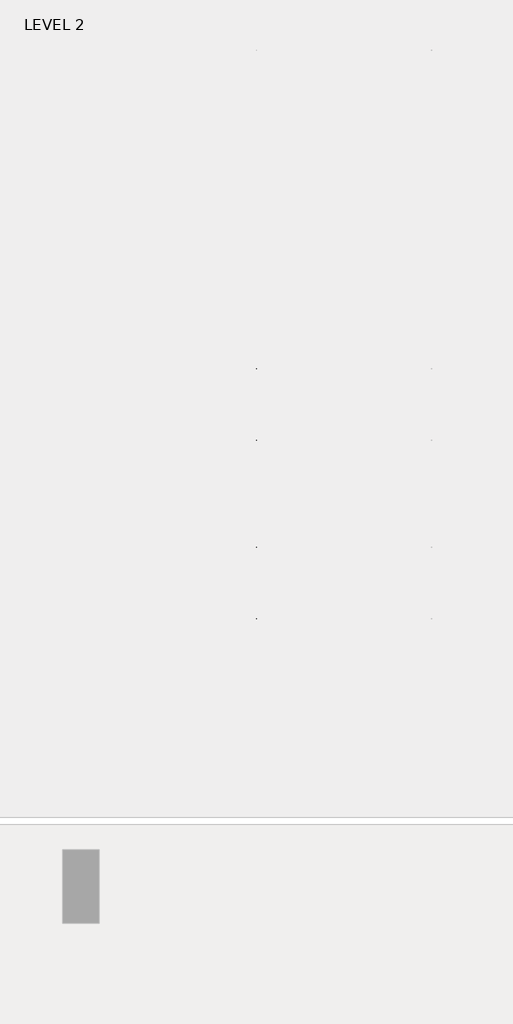
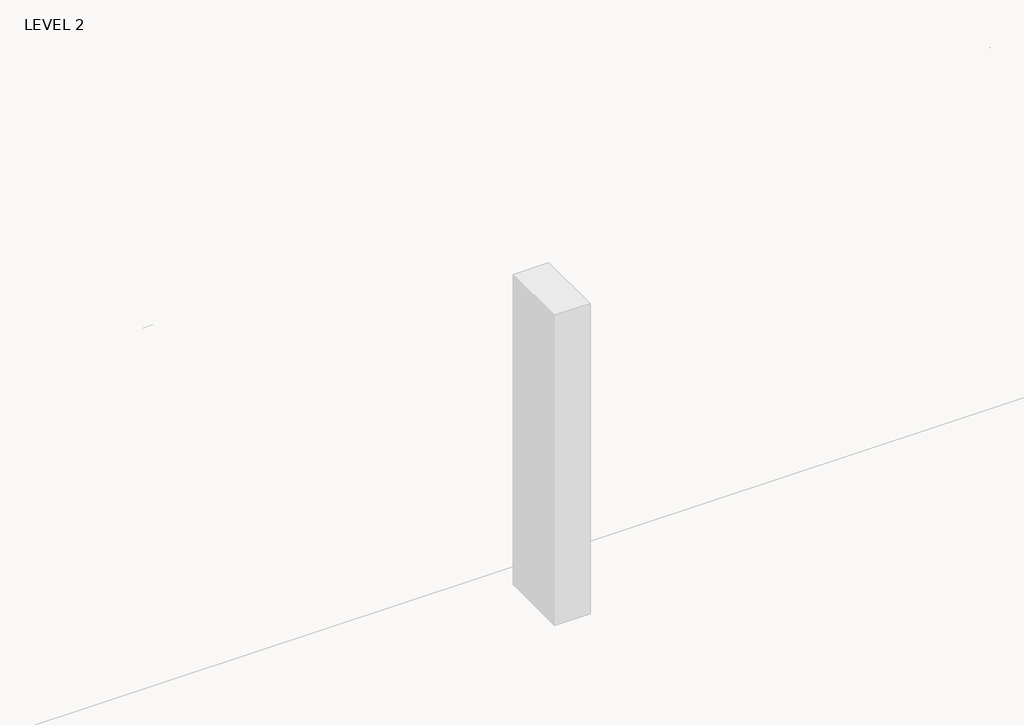
# One storey, part 40 of 67: 1 beam.
"""IFC4 building model written with IfcOpenShell, lengths in millimetres."""

import ifcopenshell
import ifcopenshell.guid

model = None  # the IFC model being written
_history = None  # IfcOwnerHistory: only IFC2X3 demands one
_inside = {}  # id of a spatial element -> (the spatial element, [elements in it])
_under = {}  # id of a project, library or spatial element -> (it, [spatial elements below it])
_declared = {}  # id of a project -> (the project, [libraries it declares])
_typed = {}  # id of a type object -> (the type object, [elements of that type])
_made_of = {}  # id of a material, layer set ... -> (it, [elements and type objects made of it])


def new_model(schema):
    """Start an empty IFC model of exactly this schema.

    Asked for "IFC4X3", IfcOpenShell would pick the latest addendum, in which some entities
    have other attributes; the version numbers below select the first issue.
    IFC2X3 requires an IfcOwnerHistory on every rooted entity: one is made here for all.
    """
    global model, _history
    if schema == "IFC4X3":
        model = ifcopenshell.file(schema_version=(4, 3, 0, 0))
    else:
        model = ifcopenshell.file(schema=schema)
    _inside.clear()
    _under.clear()
    _declared.clear()
    _typed.clear()
    _made_of.clear()
    _history = None
    if model.schema == "IFC2X3":
        org = make("IfcOrganization", Name="unknown")
        user = make(
            "IfcPersonAndOrganization",
            ThePerson=make("IfcPerson", FamilyName="unknown"),
            TheOrganization=org,
        )
        app = make(
            "IfcApplication",
            ApplicationDeveloper=org,
            Version="unknown",
            ApplicationFullName="unknown",
            ApplicationIdentifier="unknown",
        )
        _history = make(
            "IfcOwnerHistory",
            OwningUser=user,
            OwningApplication=app,
            ChangeAction="ADDED",
            CreationDate=0,
        )
    return model


def make(cls, **values):
    """One entity of the class cls with the attributes given. An attribute that is None is left unset."""
    return model.create_entity(
        cls, **{name: value for name, value in values.items() if value is not None}
    )


def rooted(cls, **values):
    """An entity with a GlobalId (a new one), such as an element, a storey or a relation."""
    return make(cls, GlobalId=ifcopenshell.guid.new(), OwnerHistory=_history, **values)


def si_unit(unit_type, name, prefix=None):
    """IfcSIUnit, for example si_unit("LENGTHUNIT", "METRE", prefix="MILLI")."""
    return make("IfcSIUnit", UnitType=unit_type, Prefix=prefix, Name=name)


def assignment(units):
    """IfcUnitAssignment: the units of a project."""
    return None if units is None else make("IfcUnitAssignment", Units=units)


def point(xyz):
    """IfcCartesianPoint."""
    return None if xyz is None else make("IfcCartesianPoint", Coordinates=xyz)


def direction(xyz):
    """IfcDirection."""
    return None if xyz is None else make("IfcDirection", DirectionRatios=xyz)


def frame(location, z_axis=None, x_axis=None):
    """IfcAxis2Placement3D, a coordinate frame: its origin and axes. An axis left out is left unset."""
    return make(
        "IfcAxis2Placement3D",
        Location=point(location),
        Axis=direction(z_axis),
        RefDirection=direction(x_axis),
    )


def origin():
    """The frame at (0, 0, 0) with its axes left unset."""
    return frame((0.0, 0.0, 0.0))


def place(relative_to, where):
    """IfcLocalPlacement: puts the frame where relative to a parent placement (None: the world)."""
    return make(
        "IfcLocalPlacement", PlacementRelTo=relative_to, RelativePlacement=where
    )


def context(
    kind, dimensions, precision=None, world=None, true_north=None, identifier=None
):
    """IfcGeometricRepresentationContext, for example the 3D "Model" context."""
    return make(
        "IfcGeometricRepresentationContext",
        ContextIdentifier=identifier,
        ContextType=kind,
        CoordinateSpaceDimension=dimensions,
        Precision=precision,
        WorldCoordinateSystem=world,
        TrueNorth=true_north,
    )


def project(units=None, contexts=None):
    """IfcProject with its units and contexts."""
    return rooted(
        "IfcProject",
        Name="project",
        RepresentationContexts=contexts,
        UnitsInContext=assignment(units),
    )


def spatial(cls, under=None, at=None, **own):
    """A site, building, storey or space (cls), placed at a placement, below another one or the project."""
    s = rooted(cls, ObjectPlacement=at, **own)
    if under is not None:
        _under.setdefault(under.id(), (under, []))[1].append(s)
    return s


def polyline(points):
    """IfcPolyline through the points."""
    return make("IfcPolyline", Points=[point(p) for p in points])


def outline(outer, holes=None, kind="AREA"):
    """IfcArbitraryClosedProfileDef: a profile drawn as a closed curve; with holes, ...WithVoids."""
    if holes is None:
        return make("IfcArbitraryClosedProfileDef", ProfileType=kind, OuterCurve=outer)
    return make(
        "IfcArbitraryProfileDefWithVoids",
        ProfileType=kind,
        OuterCurve=outer,
        InnerCurves=holes,
    )


def extrude(swept, where, along, depth):
    """IfcExtrudedAreaSolid: the profile swept, set in the frame where, extruded along a direction by depth."""
    return make(
        "IfcExtrudedAreaSolid",
        SweptArea=swept,
        Position=where,
        ExtrudedDirection=direction(along),
        Depth=depth,
    )


def faces_of(points, faces, orient=None, outer=None):
    """IfcFace entities. A face is a list of loops; a loop is a list of indices into points, from 0.

    orient and outer hold one flag for each loop. By default every Orientation is true, the
    first loop of a face is its IfcFaceOuterBound and the others are IfcFaceBound.
    """
    made = []
    for i, loops in enumerate(faces):
        bounds = []
        for j, loop in enumerate(loops):
            is_outer = j == 0 if outer is None else outer[i][j]
            bounds.append(
                make(
                    "IfcFaceOuterBound" if is_outer else "IfcFaceBound",
                    Bound=make("IfcPolyLoop", Polygon=[points[k] for k in loop]),
                    Orientation=True if orient is None else orient[i][j],
                )
            )
        made.append(make("IfcFace", Bounds=bounds))
    return made


def faceted_brep(points, faces, orient=None, outer=None, voids=None):
    """IfcFacetedBrep: a solid bounded by flat faces; with voids (closed shells), ...WithVoids."""
    shared = [point(p) for p in points]
    hull = make("IfcClosedShell", CfsFaces=faces_of(shared, faces, orient, outer))
    if voids is None:
        return make("IfcFacetedBrep", Outer=hull)
    return make(
        "IfcFacetedBrepWithVoids",
        Outer=hull,
        Voids=[
            make(cls, CfsFaces=faces_of(shared, fs, o, b)) for cls, fs, o, b in voids
        ],
    )


def shape(context_of_items, identifier, shape_type, items):
    """IfcShapeRepresentation: the items that make up one representation, for example the "Body"."""
    return make(
        "IfcShapeRepresentation",
        ContextOfItems=context_of_items,
        RepresentationIdentifier=identifier,
        RepresentationType=shape_type,
        Items=items,
    )


def made_of(thing, what):
    """Note that an element or type object is made of a material, layer set ...; save() writes the relation."""
    if what is not None:
        _made_of.setdefault(what.id(), (what, []))[1].append(thing)
    return thing


def element(
    cls,
    number,
    at=None,
    inside=None,
    cuts=None,
    type_object=None,
    material=None,
    context=None,
    identifier="Body",
    shape_type=None,
    held_by="IfcProductDefinitionShape",
    body=None,
    shapes=None,
    **own,
):
    """One element of the class cls, such as IfcWall. Its Tag is "e" and its number.

    at: its placement. inside: the storey or other place that contains it. cuts: it is an
    opening in that element (IfcRelVoidsElement). A single representation is given by context,
    identifier, shape_type and body (its items); several are given by shapes. held_by: the class
    of the entity that holds the representations. save() writes the other relations.
    """
    e = rooted(cls, Tag="e%d" % number, ObjectPlacement=at, **own)
    if body is not None:
        shapes = [shape(context, identifier, shape_type, body)]
    if shapes is not None:
        e.Representation = make(held_by, Representations=shapes)
    if inside is not None:
        _inside.setdefault(inside.id(), (inside, []))[1].append(e)
    if cuts is not None:
        rooted(
            "IfcRelVoidsElement", RelatingBuildingElement=cuts, RelatedOpeningElement=e
        )
    if type_object is not None:
        _typed.setdefault(type_object.id(), (type_object, []))[1].append(e)
    return made_of(e, material)


def aggregate(whole, parts):
    """IfcRelAggregates: a whole, such as a stair, and the parts it consists of."""
    return rooted("IfcRelAggregates", RelatingObject=whole, RelatedObjects=parts)


def save(model, path):
    """Write the relations noted so far, then the file.

    IfcRelAggregates (storeys below a building ...), IfcRelContainedInSpatialStructure (elements
    in a storey), IfcRelDefinesByType, IfcRelAssociatesMaterial and IfcRelDeclares: one each for
    every whole, place, type object, material and project.
    """
    for whole, parts in _under.values():
        aggregate(whole, parts)
    for where, things in _inside.values():
        rooted(
            "IfcRelContainedInSpatialStructure",
            RelatedElements=things,
            RelatingStructure=where,
        )
    for kind, things in _typed.values():
        rooted("IfcRelDefinesByType", RelatedObjects=things, RelatingType=kind)
    for what, things in _made_of.values():
        rooted("IfcRelAssociatesMaterial", RelatedObjects=things, RelatingMaterial=what)
    for by, libraries in _declared.values():
        rooted("IfcRelDeclares", RelatingContext=by, RelatedDefinitions=libraries)
    model.write(path)


model = new_model("IFC4")

# Units and contexts
model_context = context("Model", 3, world=origin())
ifc_project = project(units=[si_unit("LENGTHUNIT", "METRE", prefix="MILLI")], contexts=[model_context])

# Site, building, storey
site = spatial("IfcSite", under=ifc_project)
building = spatial("IfcBuilding", under=site)
storey = spatial("IfcBuildingStorey", under=building, Name="LEVEL 2", Elevation=6908.8)

# Beam
placement = place(None, origin())
element("IfcBeam", 1, ObjectType="K-Series Bar Joist-Angle Web : 12K3", at=placement, inside=storey, context=model_context, shape_type="SolidModel", body=[
    extrude(outline(polyline([(0.0, -9.525), (0.0, 0.0), (573.7533355, 0.0), (573.7533355, -9.525), (0.0, -9.525)])), frame((42280.4319742, -9604.1227945, 6274.1671734), z_axis=(0.0, -0.48308851527800273, 0.8755715198694479), x_axis=(0.0, -0.8755715198694479, -0.48308851527800273)), (0.0, 0.0, 1.0), 9.525),
    extrude(outline(polyline([(0.0, -9.525), (0.0, 0.0), (573.7533355, 0.0), (573.7533355, -9.525), (0.0, -9.525)])), frame((42270.9069742, -14433.5123055, 6174.0312759), z_axis=(0.0, 0.44637950228858414, 0.894843751688861), x_axis=(0.0, 0.894843751688861, -0.44637950228858414)), (0.0, 0.0, 1.0), 9.525),
    extrude(outline(polyline([(4.7625, 4.7625), (4.7625, -4.7625), (-4.7625, -4.7625), (-4.7625, 4.7625), (4.7625, 4.7625)])), frame((42275.6694742, -10108.7855836, 6001.1634358), z_axis=(0.0, 0.5271021201119526, 0.8498019504410923), x_axis=(-1.0, 0.0, 0.0)), (0.0, 0.0, 1.0), 317.9950191),
    extrude(outline(polyline([(4.7625, 4.7625), (4.7625, -4.7625001), (-4.7625, -4.7625001), (-4.7625, 4.7625), (4.7625, 4.7625)])), frame((42275.6694742, -13917.9668359, 5922.1812409), z_axis=(0.0, -0.5618747002661082, 0.8272223529383567), x_axis=(-1.0, 0.0, 0.0)), (0.0, 0.0, 1.0), 317.9950191),
    extrude(outline(polyline([(0.0, 0.0), (31.75, 0.0), (31.75, -6.35), (6.35, -6.35), (6.35, -31.75), (0.0, -31.75), (0.0, 0.0)])), frame((42280.4319742, -14019.4133656, 5913.7264136), z_axis=(0.0, 0.9997851055909517, 0.020730234887470715), x_axis=(1.0, 0.0, 0.0)), (0.0, 0.0, 1.0), 4013.2),
    extrude(outline(polyline([(-9.525, 0.0), (-9.525, -31.75), (-15.875, -31.75), (-15.875, -6.35), (-41.275, -6.35), (-41.275, 0.0), (-9.525, 0.0)])), frame((42280.4319742, -14019.4133656, 5913.7264136), z_axis=(0.0, 0.9997851055909517, 0.020730234887470715), x_axis=(1.0, 0.0, 0.0)), (0.0, 0.0, 1.0), 4013.2),
    extrude(outline(polyline([(-31.75, 0.0), (0.0, 0.0), (0.0, -6.35), (-25.4, -6.35), (-25.4, -31.75), (-31.75, -31.75), (-31.75, 0.0)])), frame((42312.1819742, -14532.3064049, 6144.4436003), z_axis=(0.0, 0.9997851055909517, 0.020730234887470715), x_axis=(1.0, 0.0, 0.0)), (0.0, 0.0, 1.0), 101.6),
    extrude(outline(polyline([(-41.275, 0.0), (-41.275, -31.75), (-47.625, -31.75), (-47.625, -6.35), (-73.025, -6.35), (-73.025, 0.0), (-41.275, 0.0)])), frame((42312.1819742, -14532.3064049, 6144.4436003), z_axis=(0.0, 0.9997851055909517, 0.020730234887470715), x_axis=(1.0, 0.0, 0.0)), (0.0, 0.0, 1.0), 101.6),
    extrude(outline(polyline([(0.0, 0.0), (31.75, 0.0), (31.75, -6.35), (6.35, -6.35), (6.35, -31.75), (0.0, -31.75), (0.0, 0.0)])), frame((42270.9069742, -9605.7653186, 6246.5939057), z_axis=(0.0, 0.9997851055909517, 0.020730234887470715), x_axis=(0.0, -0.020730234887470715, 0.9997851055909517)), (0.0, 0.0, 1.0), 101.6),
    extrude(outline(polyline([(0.0, 41.275), (6.35, 41.275), (6.35, 15.875), (31.75, 15.875), (31.75, 9.525), (0.0, 9.525), (0.0, 41.275)])), frame((42270.9069742, -9605.7653186, 6246.5939057), z_axis=(0.0, 0.9997851055909517, 0.020730234887470715), x_axis=(0.0, -0.020730234887470715, 0.9997851055909517)), (0.0, 0.0, 1.0), 101.6),
    extrude(outline(polyline([(0.0, 0.0), (31.75, 0.0), (31.75, -6.35), (6.35, -6.35), (6.35, -31.75), (0.0, -31.75), (0.0, 0.0)])), frame((42280.4319742, -14533.6227748, 6207.9299545), z_axis=(0.0, 0.9997851055909517, 0.020730234887470715), x_axis=(0.0, 0.020730234887470715, -0.9997851055909517)), (0.0, 0.0, 1.0), 5029.2),
    extrude(outline(polyline([(0.0, 9.525), (0.0, 41.275), (6.35, 41.275), (6.35, 15.875), (31.75, 15.875), (31.75, 9.525), (0.0, 9.525)])), frame((42280.4319742, -14533.6227748, 6207.9299545), z_axis=(0.0, 0.9997851055909517, 0.020730234887470715), x_axis=(0.0, 0.020730234887470715, -0.9997851055909517)), (0.0, 0.0, 1.0), 5029.2),
    faceted_brep([(42275.6694742, -10109.114676, 6017.0350244), (42275.6694742, -10108.7197651, 5997.9891181), (42270.9069742, -10108.7197651, 5997.9891181), (42270.9069742, -10109.114676, 6017.0350244), (42275.6694742, -10109.9510625, 6017.0176822), (42275.6694742, -10276.1904217, 6293.0308149), (42275.6694742, -10294.3999415, 6292.6532461), (42275.6694742, -10294.0050305, 6273.6073399), (42275.6694742, -10286.8200086, 6273.7563191), (42275.6694742, -10120.5806494, 5997.7431863), (42270.9069742, -10120.5806494, 5997.7431863), (42270.9069742, -10141.3605693, 6032.2448279), (42270.9069742, -10137.2808829, 6034.7019736), (42270.9069742, -10273.294904, 6260.5309003), (42270.9069742, -10277.3745905, 6258.0737547), (42270.9069742, -10286.8200086, 6273.7563191), (42270.9069742, -10294.0050305, 6273.6073399), (42270.9069742, -10294.3999415, 6292.6532461), (42270.9069742, -10276.1904217, 6293.0308149), (42270.9069742, -10109.9510625, 6017.0176822), (42258.2069742, -10277.3745905, 6258.0737547), (42258.2069742, -10141.3605693, 6032.2448279), (42258.2069742, -10137.2808829, 6034.7019736), (42258.2069742, -10273.294904, 6260.5309003)], [[[0, 1, 2, 3]], [[1, 0, 4, 5, 6, 7, 8, 9]], [[2, 1, 9, 10]], [[3, 2, 10, 11, 12, 13, 14, 15, 16, 17, 18, 19]], [[0, 3, 19, 4]], [[9, 8, 15, 14, 20, 21, 11, 10]], [[5, 4, 19, 18]], [[7, 6, 17, 16]], [[8, 7, 16, 15]], [[6, 5, 18, 17]], [[21, 22, 12, 11]], [[20, 14, 13, 23]], [[22, 21, 20, 23]], [[12, 22, 23, 13]]]),
    extrude(outline(polyline([(-10455.0089698, 5990.8089186), (-10455.4038808, 6009.8548248), (-10454.5674943, 6009.872167), (-10299.9121904, 6292.5389513), (-10281.7026706, 6292.9165201), (-10281.3077596, 6273.8706138), (-10288.4927815, 6273.7216346), (-10443.1480854, 5991.0548503), (-10455.0089698, 5990.8089186)])), frame((42275.6694742, 0.0, 0.0), z_axis=(1.0, 0.0, 0.0), x_axis=(0.0, 1.0, 0.0)), (0.0, 0.0, 1.0), 4.7625),
    extrude(outline(polyline([(-4.7625, 4.7625), (-4.7625, 0.0), (-17.4625, 0.0), (-17.4625, 4.7625), (-4.7625, 4.7625)])), frame((42275.6694742, -10423.8161725, 6026.3881984), z_axis=(0.0, 0.4799841217599757, 0.8772771756168657), x_axis=(-1.0, 0.0, 0.0)), (0.0, 0.0, 1.0), 263.6257159),
    faceted_brep([(42275.6694742, -13572.0067236, 5945.233029), (42275.6694742, -13571.6118126, 5926.1871227), (42270.9069742, -13571.6118126, 5926.1871227), (42270.9069742, -13572.0067236, 5945.233029), (42275.6694742, -13572.8431101, 5945.2156868), (42275.6694742, -13739.0824692, 6221.2288195), (42275.6694742, -13757.291989, 6220.8512507), (42275.6694742, -13756.897078, 6201.8053445), (42275.6694742, -13749.7120561, 6201.9543237), (42275.6694742, -13583.472697, 5925.941191), (42270.9069742, -13583.472697, 5925.941191), (42270.9069742, -13604.2526169, 5960.4428325), (42270.9069742, -13600.1729304, 5962.8999782), (42270.9069742, -13736.1869515, 6188.7289049), (42270.9069742, -13740.266638, 6186.2717593), (42270.9069742, -13749.7120561, 6201.9543237), (42270.9069742, -13756.897078, 6201.8053445), (42270.9069742, -13757.291989, 6220.8512507), (42270.9069742, -13739.0824692, 6221.2288195), (42270.9069742, -13572.8431101, 5945.2156868), (42258.2069742, -13740.266638, 6186.2717593), (42258.2069742, -13604.2526169, 5960.4428325), (42258.2069742, -13600.1729304, 5962.8999782), (42258.2069742, -13736.1869515, 6188.7289049)], [[[0, 1, 2, 3]], [[1, 0, 4, 5, 6, 7, 8, 9]], [[2, 1, 9, 10]], [[3, 2, 10, 11, 12, 13, 14, 15, 16, 17, 18, 19]], [[0, 3, 19, 4]], [[9, 8, 15, 14, 20, 21, 11, 10]], [[5, 4, 19, 18]], [[7, 6, 17, 16]], [[8, 7, 16, 15]], [[6, 5, 18, 17]], [[21, 22, 12, 11]], [[20, 14, 13, 23]], [[22, 21, 20, 23]], [[12, 22, 23, 13]]]),
    extrude(outline(polyline([(-13917.9010174, 5919.0069232), (-13918.2959283, 5938.0528295), (-13917.4595419, 5938.0701717), (-13762.804238, 6220.736956), (-13744.5947182, 6221.1145247), (-13744.1998072, 6202.0686185), (-13751.3848291, 6201.9196392), (-13906.040133, 5919.252855), (-13917.9010174, 5919.0069232)])), frame((42275.6694742, 0.0, 0.0), z_axis=(1.0, 0.0, 0.0), x_axis=(0.0, 1.0, 0.0)), (0.0, 0.0, 1.0), 4.7625),
    extrude(outline(polyline([(-4.7625, 4.7625001), (-4.7625, 0.0), (-17.4625, 0.0), (-17.4625, 4.7625001), (-4.7625, 4.7625001)])), frame((42275.6694742, -13886.70822, 5954.586203), z_axis=(0.0, 0.4799841217599757, 0.8772771756168657), x_axis=(-1.0, 0.0, 0.0)), (0.0, 0.0, 1.0), 263.6257159),
    faceted_brep([(42275.6694742, -10455.4038808, 6009.8548248), (42275.6694742, -10455.0089698, 5990.8089186), (42270.9069742, -10455.0089698, 5990.8089186), (42270.9069742, -10455.4038808, 6009.8548248), (42275.6694742, -10456.2402673, 6009.8374826), (42275.6694742, -10622.4796264, 6285.8506153), (42275.6694742, -10640.6891462, 6285.4730466), (42275.6694742, -10640.2942352, 6266.4271403), (42275.6694742, -10633.1092134, 6266.5761195), (42275.6694742, -10466.8698542, 5990.5629868), (42270.9069742, -10466.8698542, 5990.5629868), (42270.9069742, -10487.6497741, 6025.0646284), (42270.9069742, -10483.5700876, 6027.521774), (42270.9069742, -10619.5841088, 6253.3507008), (42270.9069742, -10623.6637952, 6250.8935552), (42270.9069742, -10633.1092134, 6266.5761195), (42270.9069742, -10640.2942352, 6266.4271403), (42270.9069742, -10640.6891462, 6285.4730466), (42270.9069742, -10622.4796264, 6285.8506153), (42270.9069742, -10456.2402673, 6009.8374826), (42258.2069742, -10623.6637952, 6250.8935552), (42258.2069742, -10487.6497741, 6025.0646284), (42258.2069742, -10483.5700876, 6027.521774), (42258.2069742, -10619.5841088, 6253.3507008)], [[[0, 1, 2, 3]], [[1, 0, 4, 5, 6, 7, 8, 9]], [[2, 1, 9, 10]], [[3, 2, 10, 11, 12, 13, 14, 15, 16, 17, 18, 19]], [[0, 3, 19, 4]], [[9, 8, 15, 14, 20, 21, 11, 10]], [[5, 4, 19, 18]], [[7, 6, 17, 16]], [[8, 7, 16, 15]], [[6, 5, 18, 17]], [[21, 22, 12, 11]], [[20, 14, 13, 23]], [[22, 21, 20, 23]], [[12, 22, 23, 13]]]),
    extrude(outline(polyline([(-10801.2981746, 5983.628719), (-10801.6930855, 6002.6746253), (-10800.8566991, 6002.6919675), (-10646.2013952, 6285.3587518), (-10627.9918754, 6285.7363206), (-10627.5969644, 6266.6904143), (-10634.7819863, 6266.5414351), (-10789.4372902, 5983.8746508), (-10801.2981746, 5983.628719)])), frame((42275.6694742, 0.0, 0.0), z_axis=(1.0, 0.0, 0.0), x_axis=(0.0, 1.0, 0.0)), (0.0, 0.0, 1.0), 4.7625),
    extrude(outline(polyline([(-4.7625, 4.7625001), (-4.7625, 0.0), (-17.4625, 0.0), (-17.4625, 4.7625001), (-4.7625, 4.7625001)])), frame((42275.6694742, -10770.1053772, 6019.2079988), z_axis=(0.0, 0.4799841217599757, 0.8772771756168657), x_axis=(-1.0, 0.0, 0.0)), (0.0, 0.0, 1.0), 263.6257159),
    faceted_brep([(42275.6694742, -10801.6930855, 6002.6746253), (42275.6694742, -10801.2981746, 5983.628719), (42270.9069742, -10801.2981746, 5983.628719), (42270.9069742, -10801.6930855, 6002.6746253), (42275.6694742, -10802.529472, 6002.6572831), (42275.6694742, -10968.7688312, 6278.6704158), (42275.6694742, -10986.978351, 6278.292847), (42275.6694742, -10986.58344, 6259.2469408), (42275.6694742, -10979.3984181, 6259.39592), (42275.6694742, -10813.1590589, 5983.3827873), (42270.9069742, -10813.1590589, 5983.3827873), (42270.9069742, -10833.9389788, 6017.8844289), (42270.9069742, -10829.8592924, 6020.3415745), (42270.9069742, -10965.8733135, 6246.1705013), (42270.9069742, -10969.953, 6243.7133556), (42270.9069742, -10979.3984181, 6259.39592), (42270.9069742, -10986.58344, 6259.2469408), (42270.9069742, -10986.978351, 6278.292847), (42270.9069742, -10968.7688312, 6278.6704158), (42270.9069742, -10802.529472, 6002.6572831), (42258.2069742, -10969.953, 6243.7133556), (42258.2069742, -10833.9389788, 6017.8844289), (42258.2069742, -10829.8592924, 6020.3415745), (42258.2069742, -10965.8733135, 6246.1705013)], [[[0, 1, 2, 3]], [[1, 0, 4, 5, 6, 7, 8, 9]], [[2, 1, 9, 10]], [[3, 2, 10, 11, 12, 13, 14, 15, 16, 17, 18, 19]], [[0, 3, 19, 4]], [[9, 8, 15, 14, 20, 21, 11, 10]], [[5, 4, 19, 18]], [[7, 6, 17, 16]], [[8, 7, 16, 15]], [[6, 5, 18, 17]], [[21, 22, 12, 11]], [[20, 14, 13, 23]], [[22, 21, 20, 23]], [[12, 22, 23, 13]]]),
    extrude(outline(polyline([(-11147.5873793, 5976.4485195), (-11147.9822903, 5995.4944258), (-11147.1459038, 5995.511768), (-10992.4905999, 6278.1785523), (-10974.2810801, 6278.556121), (-10973.8861692, 6259.5102148), (-10981.071191, 6259.3612356), (-11135.726495, 5976.6944513), (-11147.5873793, 5976.4485195)])), frame((42275.6694742, 0.0, 0.0), z_axis=(1.0, 0.0, 0.0), x_axis=(0.0, 1.0, 0.0)), (0.0, 0.0, 1.0), 4.7625),
    extrude(outline(polyline([(-4.7625, 4.7625), (-4.7625, 0.0), (-17.4625, 0.0), (-17.4625, 4.7625), (-4.7625, 4.7625)])), frame((42275.6694742, -11116.394582, 6012.0277993), z_axis=(0.0, 0.4799841217599757, 0.8772771756168657), x_axis=(-1.0, 0.0, 0.0)), (0.0, 0.0, 1.0), 263.6257159),
    faceted_brep([(42275.6694742, -11147.9822903, 5995.4944258), (42275.6694742, -11147.5873793, 5976.4485195), (42270.9069742, -11147.5873793, 5976.4485195), (42270.9069742, -11147.9822903, 5995.4944258), (42275.6694742, -11148.8186768, 5995.4770835), (42275.6694742, -11315.0580359, 6271.4902163), (42275.6694742, -11333.2675557, 6271.1126475), (42275.6694742, -11332.8726447, 6252.0667412), (42275.6694742, -11325.6876229, 6252.2157204), (42275.6694742, -11159.4482637, 5976.2025877), (42270.9069742, -11159.4482637, 5976.2025877), (42270.9069742, -11180.2281836, 6010.7042293), (42270.9069742, -11176.1484971, 6013.1613749), (42270.9069742, -11312.1625183, 6238.9903017), (42270.9069742, -11316.2422047, 6236.5331561), (42270.9069742, -11325.6876229, 6252.2157204), (42270.9069742, -11332.8726447, 6252.0667412), (42270.9069742, -11333.2675557, 6271.1126475), (42270.9069742, -11315.0580359, 6271.4902163), (42270.9069742, -11148.8186768, 5995.4770835), (42258.2069742, -11316.2422047, 6236.5331561), (42258.2069742, -11180.2281836, 6010.7042293), (42258.2069742, -11176.1484971, 6013.1613749), (42258.2069742, -11312.1625183, 6238.9903017)], [[[0, 1, 2, 3]], [[1, 0, 4, 5, 6, 7, 8, 9]], [[2, 1, 9, 10]], [[3, 2, 10, 11, 12, 13, 14, 15, 16, 17, 18, 19]], [[0, 3, 19, 4]], [[9, 8, 15, 14, 20, 21, 11, 10]], [[5, 4, 19, 18]], [[7, 6, 17, 16]], [[8, 7, 16, 15]], [[6, 5, 18, 17]], [[21, 22, 12, 11]], [[20, 14, 13, 23]], [[22, 21, 20, 23]], [[12, 22, 23, 13]]]),
    extrude(outline(polyline([(-11493.8765841, 5969.26832), (-11494.2714951, 5988.3142262), (-11493.4351086, 5988.3315684), (-11338.7798047, 6270.9983527), (-11320.5702849, 6271.3759215), (-11320.1753739, 6252.3300152), (-11327.3603958, 6252.181036), (-11482.0156997, 5969.5142517), (-11493.8765841, 5969.26832)])), frame((42275.6694742, 0.0, 0.0), z_axis=(1.0, 0.0, 0.0), x_axis=(0.0, 1.0, 0.0)), (0.0, 0.0, 1.0), 4.7625),
    extrude(outline(polyline([(-4.7625, 4.7625), (-4.7625, 0.0), (-17.4625, 0.0), (-17.4625, 4.7625), (-4.7625, 4.7625)])), frame((42275.6694742, -11462.6837867, 6004.8475998), z_axis=(0.0, 0.4799841217599757, 0.8772771756168657), x_axis=(-1.0, 0.0, 0.0)), (0.0, 0.0, 1.0), 263.6257159),
    faceted_brep([(42275.6694742, -11494.2714951, 5988.3142262), (42275.6694742, -11493.8765841, 5969.26832), (42270.9069742, -11493.8765841, 5969.26832), (42270.9069742, -11494.2714951, 5988.3142262), (42275.6694742, -11495.1078815, 5988.296884), (42275.6694742, -11661.3472407, 6264.3100167), (42275.6694742, -11679.5567605, 6263.932448), (42275.6694742, -11679.1618495, 6244.8865417), (42275.6694742, -11671.9768276, 6245.0355209), (42275.6694742, -11505.7374685, 5969.0223882), (42270.9069742, -11505.7374685, 5969.0223882), (42270.9069742, -11526.5173883, 6003.5240298), (42270.9069742, -11522.4377019, 6005.9811754), (42270.9069742, -11658.451723, 6231.8101022), (42270.9069742, -11662.5314095, 6229.3529565), (42270.9069742, -11671.9768276, 6245.0355209), (42270.9069742, -11679.1618495, 6244.8865417), (42270.9069742, -11679.5567605, 6263.932448), (42270.9069742, -11661.3472407, 6264.3100167), (42270.9069742, -11495.1078815, 5988.296884), (42258.2069742, -11662.5314095, 6229.3529565), (42258.2069742, -11526.5173883, 6003.5240298), (42258.2069742, -11522.4377019, 6005.9811754), (42258.2069742, -11658.451723, 6231.8101022)], [[[0, 1, 2, 3]], [[1, 0, 4, 5, 6, 7, 8, 9]], [[2, 1, 9, 10]], [[3, 2, 10, 11, 12, 13, 14, 15, 16, 17, 18, 19]], [[0, 3, 19, 4]], [[9, 8, 15, 14, 20, 21, 11, 10]], [[5, 4, 19, 18]], [[7, 6, 17, 16]], [[8, 7, 16, 15]], [[6, 5, 18, 17]], [[21, 22, 12, 11]], [[20, 14, 13, 23]], [[22, 21, 20, 23]], [[12, 22, 23, 13]]]),
    extrude(outline(polyline([(-11840.1657888, 5962.0881204), (-11840.5606998, 5981.1340267), (-11839.7243133, 5981.1513689), (-11685.0690094, 6263.8181532), (-11666.8594896, 6264.1957219), (-11666.4645787, 6245.1498157), (-11673.6496006, 6245.0008365), (-11828.3049045, 5962.3340522), (-11840.1657888, 5962.0881204)])), frame((42275.6694742, 0.0, 0.0), z_axis=(1.0, 0.0, 0.0), x_axis=(0.0, 1.0, 0.0)), (0.0, 0.0, 1.0), 4.7625),
    extrude(outline(polyline([(-4.7625, 4.7625), (-4.7625, 0.0), (-17.4625, 0.0), (-17.4625, 4.7625), (-4.7625, 4.7625)])), frame((42275.6694742, -11808.9729915, 5997.6674002), z_axis=(0.0, 0.4799841217599757, 0.8772771756168657), x_axis=(-1.0, 0.0, 0.0)), (0.0, 0.0, 1.0), 263.6257159),
    faceted_brep([(42275.6694742, -11840.5606998, 5981.1340267), (42275.6694742, -11840.1657888, 5962.0881204), (42270.9069742, -11840.1657888, 5962.0881204), (42270.9069742, -11840.5606998, 5981.1340267), (42275.6694742, -11841.3970863, 5981.1166845), (42275.6694742, -12007.6364454, 6257.1298172), (42275.6694742, -12025.8459652, 6256.7522484), (42275.6694742, -12025.4510543, 6237.7063422), (42275.6694742, -12018.2660324, 6237.8553214), (42275.6694742, -11852.0266732, 5961.8421887), (42270.9069742, -11852.0266732, 5961.8421887), (42270.9069742, -11872.8065931, 5996.3438302), (42270.9069742, -11868.7269066, 5998.8009759), (42270.9069742, -12004.7409278, 6224.6299026), (42270.9069742, -12008.8206142, 6222.172757), (42270.9069742, -12018.2660324, 6237.8553214), (42270.9069742, -12025.4510543, 6237.7063422), (42270.9069742, -12025.8459652, 6256.7522484), (42270.9069742, -12007.6364454, 6257.1298172), (42270.9069742, -11841.3970863, 5981.1166845), (42258.2069742, -12008.8206142, 6222.172757), (42258.2069742, -11872.8065931, 5996.3438302), (42258.2069742, -11868.7269066, 5998.8009759), (42258.2069742, -12004.7409278, 6224.6299026)], [[[0, 1, 2, 3]], [[1, 0, 4, 5, 6, 7, 8, 9]], [[2, 1, 9, 10]], [[3, 2, 10, 11, 12, 13, 14, 15, 16, 17, 18, 19]], [[0, 3, 19, 4]], [[9, 8, 15, 14, 20, 21, 11, 10]], [[5, 4, 19, 18]], [[7, 6, 17, 16]], [[8, 7, 16, 15]], [[6, 5, 18, 17]], [[21, 22, 12, 11]], [[20, 14, 13, 23]], [[22, 21, 20, 23]], [[12, 22, 23, 13]]]),
    extrude(outline(polyline([(-12186.4549936, 5954.9079209), (-12186.8499046, 5973.9538271), (-12186.0135181, 5973.9711694), (-12031.3582142, 6256.6379536), (-12013.1486944, 6257.0155224), (-12012.7537834, 6237.9696161), (-12019.9388053, 6237.8206369), (-12174.5941092, 5955.1538527), (-12186.4549936, 5954.9079209)])), frame((42275.6694742, 0.0, 0.0), z_axis=(1.0, 0.0, 0.0), x_axis=(0.0, 1.0, 0.0)), (0.0, 0.0, 1.0), 4.7625),
    extrude(outline(polyline([(-4.7625, 4.7625001), (-4.7625, 0.0), (-17.4625, 0.0), (-17.4625, 4.7625001), (-4.7625, 4.7625001)])), frame((42275.6694742, -12155.2621962, 5990.4872007), z_axis=(0.0, 0.4799841217599757, 0.8772771756168657), x_axis=(-1.0, 0.0, 0.0)), (0.0, 0.0, 1.0), 263.6257159),
    faceted_brep([(42275.6694742, -12186.8499046, 5973.9538271), (42275.6694742, -12186.4549936, 5954.9079209), (42270.9069742, -12186.4549936, 5954.9079209), (42270.9069742, -12186.8499046, 5973.9538271), (42275.6694742, -12187.686291, 5973.9364849), (42275.6694742, -12353.9256502, 6249.9496176), (42275.6694742, -12372.13517, 6249.5720489), (42275.6694742, -12371.740259, 6230.5261426), (42275.6694742, -12364.5552371, 6230.6751218), (42275.6694742, -12198.315878, 5954.6619891), (42270.9069742, -12198.315878, 5954.6619891), (42270.9069742, -12219.0957979, 5989.1636307), (42270.9069742, -12215.0161114, 5991.6207763), (42270.9069742, -12351.0301325, 6217.4497031), (42270.9069742, -12355.109819, 6214.9925575), (42270.9069742, -12364.5552371, 6230.6751218), (42270.9069742, -12371.740259, 6230.5261426), (42270.9069742, -12372.13517, 6249.5720489), (42270.9069742, -12353.9256502, 6249.9496176), (42270.9069742, -12187.686291, 5973.9364849), (42258.2069742, -12355.109819, 6214.9925575), (42258.2069742, -12219.0957979, 5989.1636307), (42258.2069742, -12215.0161114, 5991.6207763), (42258.2069742, -12351.0301325, 6217.4497031)], [[[0, 1, 2, 3]], [[1, 0, 4, 5, 6, 7, 8, 9]], [[2, 1, 9, 10]], [[3, 2, 10, 11, 12, 13, 14, 15, 16, 17, 18, 19]], [[0, 3, 19, 4]], [[9, 8, 15, 14, 20, 21, 11, 10]], [[5, 4, 19, 18]], [[7, 6, 17, 16]], [[8, 7, 16, 15]], [[6, 5, 18, 17]], [[21, 22, 12, 11]], [[20, 14, 13, 23]], [[22, 21, 20, 23]], [[12, 22, 23, 13]]]),
    extrude(outline(polyline([(-12532.7441983, 5947.7277213), (-12533.1391093, 5966.7736276), (-12532.3027228, 5966.7909698), (-12377.6474189, 6249.4577541), (-12359.4378991, 6249.8353229), (-12359.0429882, 6230.7894166), (-12366.2280101, 6230.6404374), (-12520.883314, 5947.9736531), (-12532.7441983, 5947.7277213)])), frame((42275.6694742, 0.0, 0.0), z_axis=(1.0, 0.0, 0.0), x_axis=(0.0, 1.0, 0.0)), (0.0, 0.0, 1.0), 4.7625),
    extrude(outline(polyline([(-4.7625, 4.7625), (-4.7625, 0.0), (-17.4625, 0.0), (-17.4625, 4.7625), (-4.7625, 4.7625)])), frame((42275.6694742, -12501.551401, 5983.3070011), z_axis=(0.0, 0.4799841217599757, 0.8772771756168657), x_axis=(-1.0, 0.0, 0.0)), (0.0, 0.0, 1.0), 263.6257159),
    faceted_brep([(42275.6694742, -12533.1391093, 5966.7736276), (42275.6694742, -12532.7441983, 5947.7277213), (42270.9069742, -12532.7441983, 5947.7277213), (42270.9069742, -12533.1391093, 5966.7736276), (42275.6694742, -12533.9754958, 5966.7562854), (42275.6694742, -12700.214855, 6242.7694181), (42275.6694742, -12718.4243747, 6242.3918493), (42275.6694742, -12718.0294638, 6223.3459431), (42275.6694742, -12710.8444419, 6223.4949223), (42275.6694742, -12544.6050827, 5947.4817896), (42270.9069742, -12544.6050827, 5947.4817896), (42270.9069742, -12565.3850026, 5981.9834312), (42270.9069742, -12561.3053162, 5984.4405768), (42270.9069742, -12697.3193373, 6210.2695036), (42270.9069742, -12701.3990237, 6207.8123579), (42270.9069742, -12710.8444419, 6223.4949223), (42270.9069742, -12718.0294638, 6223.3459431), (42270.9069742, -12718.4243747, 6242.3918493), (42270.9069742, -12700.214855, 6242.7694181), (42270.9069742, -12533.9754958, 5966.7562854), (42258.2069742, -12701.3990237, 6207.8123579), (42258.2069742, -12565.3850026, 5981.9834312), (42258.2069742, -12561.3053162, 5984.4405768), (42258.2069742, -12697.3193373, 6210.2695036)], [[[0, 1, 2, 3]], [[1, 0, 4, 5, 6, 7, 8, 9]], [[2, 1, 9, 10]], [[3, 2, 10, 11, 12, 13, 14, 15, 16, 17, 18, 19]], [[0, 3, 19, 4]], [[9, 8, 15, 14, 20, 21, 11, 10]], [[5, 4, 19, 18]], [[7, 6, 17, 16]], [[8, 7, 16, 15]], [[6, 5, 18, 17]], [[21, 22, 12, 11]], [[20, 14, 13, 23]], [[22, 21, 20, 23]], [[12, 22, 23, 13]]]),
    extrude(outline(polyline([(-12879.0334031, 5940.5475218), (-12879.4283141, 5959.5934281), (-12878.5919276, 5959.6107703), (-12723.9366237, 6242.2775546), (-12705.7271039, 6242.6551233), (-12705.3321929, 6223.6092171), (-12712.5172148, 6223.4602379), (-12867.1725187, 5940.7934536), (-12879.0334031, 5940.5475218)])), frame((42275.6694742, 0.0, 0.0), z_axis=(1.0, 0.0, 0.0), x_axis=(0.0, 1.0, 0.0)), (0.0, 0.0, 1.0), 4.7625),
    extrude(outline(polyline([(-4.7625, 4.7625001), (-4.7625, 0.0), (-17.4625, 0.0), (-17.4625, 4.7625001), (-4.7625, 4.7625001)])), frame((42275.6694742, -12847.8406057, 5976.1268016), z_axis=(0.0, 0.4799841217599757, 0.8772771756168657), x_axis=(-1.0, 0.0, 0.0)), (0.0, 0.0, 1.0), 263.6257159),
    faceted_brep([(42275.6694742, -12879.4283141, 5959.5934281), (42275.6694742, -12879.0334031, 5940.5475218), (42270.9069742, -12879.0334031, 5940.5475218), (42270.9069742, -12879.4283141, 5959.5934281), (42275.6694742, -12880.2647005, 5959.5760859), (42275.6694742, -13046.5040597, 6235.5892186), (42275.6694742, -13064.7135795, 6235.2116498), (42275.6694742, -13064.3186685, 6216.1657435), (42275.6694742, -13057.1336466, 6216.3147228), (42275.6694742, -12890.8942875, 5940.30159), (42270.9069742, -12890.8942875, 5940.30159), (42270.9069742, -12911.6742074, 5974.8032316), (42270.9069742, -12907.5945209, 5977.2603773), (42270.9069742, -13043.608542, 6203.089304), (42270.9069742, -13047.6882285, 6200.6321584), (42270.9069742, -13057.1336466, 6216.3147228), (42270.9069742, -13064.3186685, 6216.1657435), (42270.9069742, -13064.7135795, 6235.2116498), (42270.9069742, -13046.5040597, 6235.5892186), (42270.9069742, -12880.2647005, 5959.5760859), (42258.2069742, -13047.6882285, 6200.6321584), (42258.2069742, -12911.6742074, 5974.8032316), (42258.2069742, -12907.5945209, 5977.2603773), (42258.2069742, -13043.608542, 6203.089304)], [[[0, 1, 2, 3]], [[1, 0, 4, 5, 6, 7, 8, 9]], [[2, 1, 9, 10]], [[3, 2, 10, 11, 12, 13, 14, 15, 16, 17, 18, 19]], [[0, 3, 19, 4]], [[9, 8, 15, 14, 20, 21, 11, 10]], [[5, 4, 19, 18]], [[7, 6, 17, 16]], [[8, 7, 16, 15]], [[6, 5, 18, 17]], [[21, 22, 12, 11]], [[20, 14, 13, 23]], [[22, 21, 20, 23]], [[12, 22, 23, 13]]]),
    extrude(outline(polyline([(-13225.3226079, 5933.3673223), (-13225.7175188, 5952.4132285), (-13224.8811324, 5952.4305707), (-13070.2258284, 6235.097355), (-13052.0163087, 6235.4749238), (-13051.6213977, 6216.4290175), (-13058.8064196, 6216.2800383), (-13213.4617235, 5933.613254), (-13225.3226079, 5933.3673223)])), frame((42275.6694742, 0.0, 0.0), z_axis=(1.0, 0.0, 0.0), x_axis=(0.0, 1.0, 0.0)), (0.0, 0.0, 1.0), 4.7625),
    extrude(outline(polyline([(-4.7625, 4.7625), (-4.7625, 0.0), (-17.4625, 0.0), (-17.4625, 4.7625), (-4.7625, 4.7625)])), frame((42275.6694742, -13194.1298105, 5968.9466021), z_axis=(0.0, 0.4799841217599757, 0.8772771756168657), x_axis=(-1.0, 0.0, 0.0)), (0.0, 0.0, 1.0), 263.6257159),
    faceted_brep([(42275.6694742, -13225.7175188, 5952.4132285), (42275.6694742, -13225.3226079, 5933.3673223), (42270.9069742, -13225.3226079, 5933.3673223), (42270.9069742, -13225.7175188, 5952.4132285), (42275.6694742, -13226.5539053, 5952.3958863), (42275.6694742, -13392.7932645, 6228.409019), (42275.6694742, -13411.0027843, 6228.0314503), (42275.6694742, -13410.6078733, 6208.985544), (42275.6694742, -13403.4228514, 6209.1345232), (42275.6694742, -13237.1834922, 5933.1213905), (42270.9069742, -13237.1834922, 5933.1213905), (42270.9069742, -13257.9634121, 5967.6230321), (42270.9069742, -13253.8837257, 5970.0801777), (42270.9069742, -13389.8977468, 6195.9091045), (42270.9069742, -13393.9774333, 6193.4519589), (42270.9069742, -13403.4228514, 6209.1345232), (42270.9069742, -13410.6078733, 6208.985544), (42270.9069742, -13411.0027843, 6228.0314503), (42270.9069742, -13392.7932645, 6228.409019), (42270.9069742, -13226.5539053, 5952.3958863), (42258.2069742, -13393.9774333, 6193.4519589), (42258.2069742, -13257.9634121, 5967.6230321), (42258.2069742, -13253.8837257, 5970.0801777), (42258.2069742, -13389.8977468, 6195.9091045)], [[[0, 1, 2, 3]], [[1, 0, 4, 5, 6, 7, 8, 9]], [[2, 1, 9, 10]], [[3, 2, 10, 11, 12, 13, 14, 15, 16, 17, 18, 19]], [[0, 3, 19, 4]], [[9, 8, 15, 14, 20, 21, 11, 10]], [[5, 4, 19, 18]], [[7, 6, 17, 16]], [[8, 7, 16, 15]], [[6, 5, 18, 17]], [[21, 22, 12, 11]], [[20, 14, 13, 23]], [[22, 21, 20, 23]], [[12, 22, 23, 13]]]),
    extrude(outline(polyline([(-13571.6118126, 5926.1871227), (-13572.0067236, 5945.233029), (-13571.1703371, 5945.2503712), (-13416.5150332, 6227.9171555), (-13398.3055134, 6228.2947243), (-13397.9106024, 6209.248818), (-13405.0956243, 6209.0998388), (-13559.7509282, 5926.4330545), (-13571.6118126, 5926.1871227)])), frame((42275.6694742, 0.0, 0.0), z_axis=(1.0, 0.0, 0.0), x_axis=(0.0, 1.0, 0.0)), (0.0, 0.0, 1.0), 4.7625),
    extrude(outline(polyline([(-4.7625, 4.7625001), (-4.7625, 0.0), (-17.4625, 0.0), (-17.4625, 4.7625001), (-4.7625, 4.7625001)])), frame((42275.6694742, -13540.4190152, 5961.7664025), z_axis=(0.0, 0.4799841217599757, 0.8772771756168657), x_axis=(-1.0, 0.0, 0.0)), (0.0, 0.0, 1.0), 263.6257159),
])

save(model, "model.ifc")
